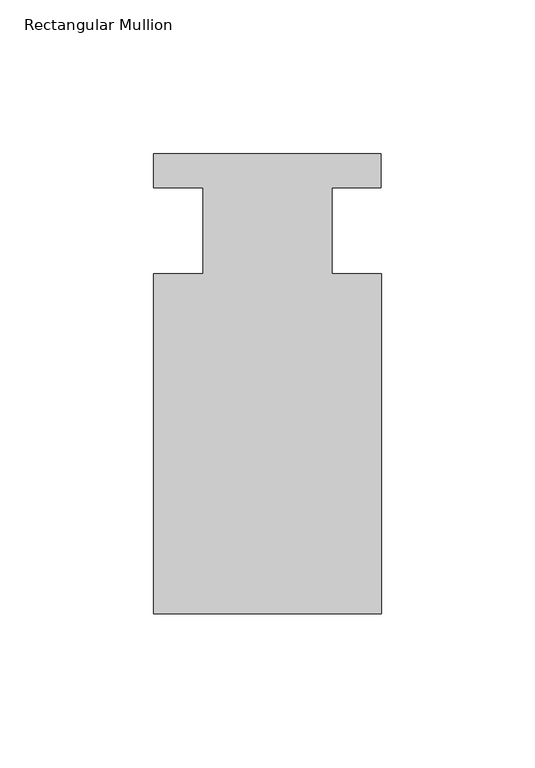
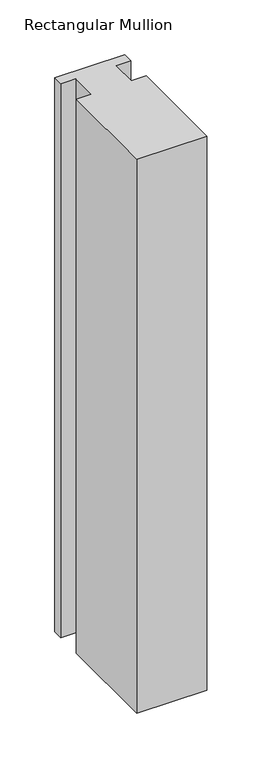
"""IFC4 building model written with IfcOpenShell, lengths in millimetres: member geometry, Rectangular Mullion."""

from ifc_helpers import new_model, si_unit, frame, origin, place, context, project, spatial, polyline, outline, extrude, source, transform, mapped, element, save


def rectangular_mullion_160eea81(model_context):
    return source(origin(), model_context, "Body", "SweptSolid", [
        extrude(outline(polyline([(-20.9800745, -13.9998907), (-20.9800745, 14.0), (-37.0, 14.0), (-37.0, 25.0), (36.9800745, 25.0), (36.9800745, 14.0), (20.9800745, 14.0), (20.9800745, -13.9998907), (37.0, -13.9998907), (37.0, -124.5), (-37.0, -124.5), (-37.0, -13.9998907), (-20.9800745, -13.9998907)])), frame((0.0, 0.0, -617.5375685), z_axis=(0.0, 0.0, 1.0), x_axis=(1.0, 0.0, 0.0)), (0.0, 0.0, 1.0), 617.5375685),
    ])


if __name__ == "__main__":
    model = new_model("IFC4")
    model_context = context("Model", 3, world=origin())
    ifc_project = project(units=[si_unit("LENGTHUNIT", "METRE", prefix="MILLI")], contexts=[model_context])
    site = spatial("IfcSite", under=ifc_project)
    building = spatial("IfcBuilding", under=site)
    placement = place(None, origin())
    rectangular_mullion_shape = rectangular_mullion_160eea81(model_context)
    element("IfcMember", 1, ObjectType="Rectangular Mullion", at=placement, inside=building, context=model_context, shape_type="MappedRepresentation", body=[
        mapped(rectangular_mullion_shape, transform((0.0, 0.0, 0.0), x_axis=(1.0, 0.0, 0.0), y_axis=(0.0, 1.0, 0.0), z_axis=(0.0, 0.0, 1.0))),
    ])
    save(model, "model.ifc")
